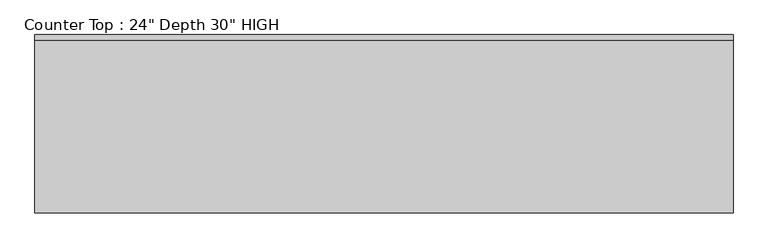
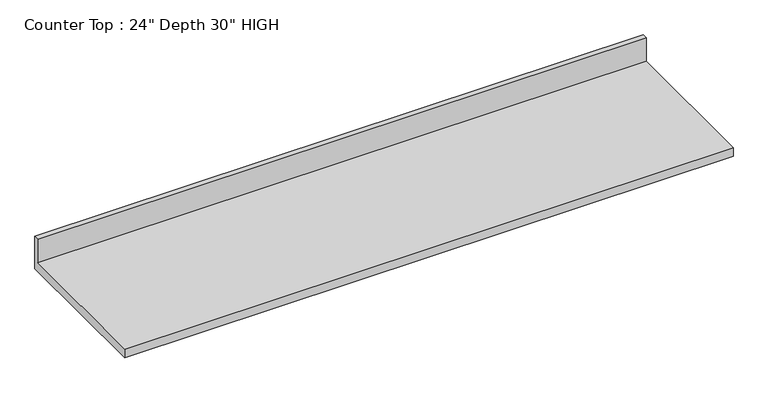
"""IFC4 building model written with IfcOpenShell, lengths in millimetres: furniture geometry."""

from ifc_helpers import new_model, si_unit, frame, origin, place, context, project, spatial, polyline, outline, extrude, source, transform, mapped, element, save


def furniture_3ede71ab(model_context):
    return source(origin(), model_context, "Body", "SweptSolid", [
        extrude(outline(polyline([(0.0, 965.2), (0.0, 825.5), (-635.0, 825.5), (-635.0, 863.6), (-19.05, 863.6), (-19.05, 965.2), (0.0, 965.2)])), frame((-1200.4622951, 0.0, 0.0), z_axis=(1.0, 0.0, 0.0), x_axis=(0.0, 1.0, 0.0)), (0.0, 0.0, 1.0), 2487.6125),
    ])


if __name__ == "__main__":
    model = new_model("IFC4")
    model_context = context("Model", 3, world=origin())
    ifc_project = project(units=[si_unit("LENGTHUNIT", "METRE", prefix="MILLI")], contexts=[model_context])
    site = spatial("IfcSite", under=ifc_project)
    building = spatial("IfcBuilding", under=site)
    placement = place(None, origin())
    furniture_shape = furniture_3ede71ab(model_context)
    element("IfcFurniture", 1, ObjectType="Counter Top : 24\" Depth 30\" HIGH", at=placement, inside=building, context=model_context, shape_type="MappedRepresentation", body=[
        mapped(furniture_shape, transform((0.0, 0.0, 0.0), x_axis=(1.0, 0.0, 0.0), y_axis=(0.0, 1.0, 0.0), z_axis=(0.0, 0.0, 1.0))),
    ])
    save(model, "model.ifc")
